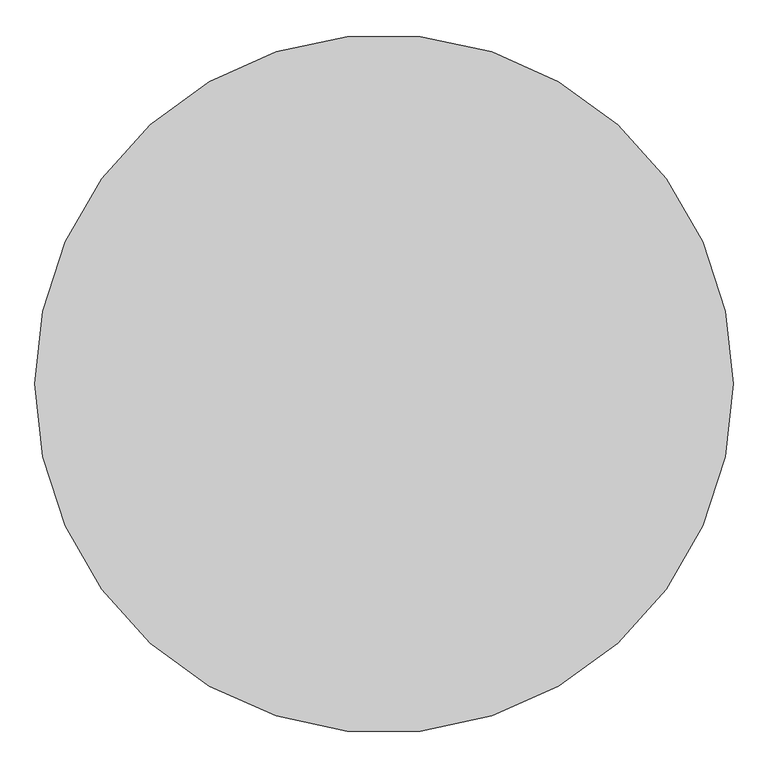
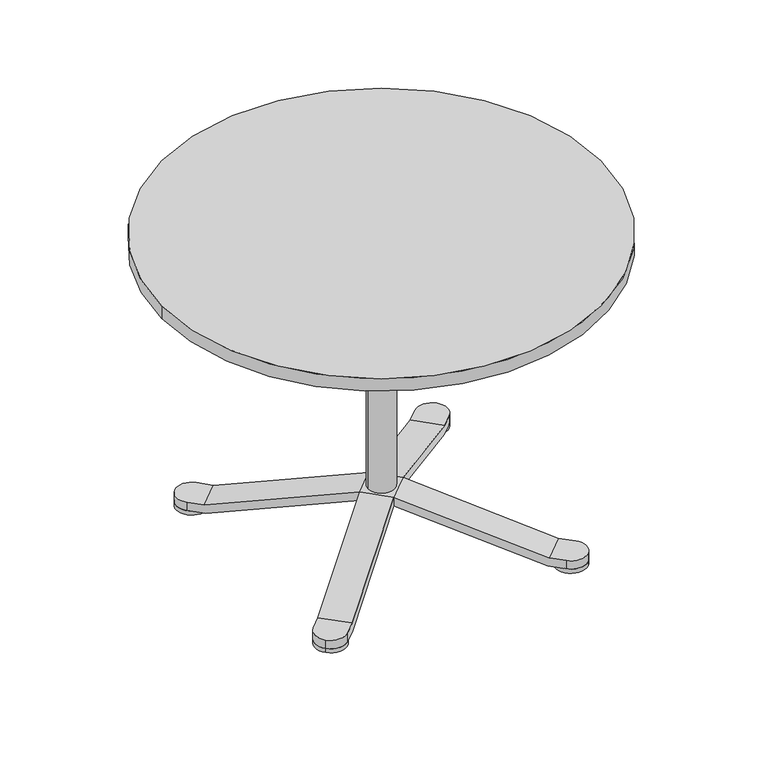
"""IFC4 building model written with IfcOpenShell, lengths in millimetres: furniture geometry."""

import ifcopenshell
import ifcopenshell.guid

model = None  # the IFC model being written
_history = None  # IfcOwnerHistory: only IFC2X3 demands one
_inside = {}  # id of a spatial element -> (the spatial element, [elements in it])
_under = {}  # id of a project, library or spatial element -> (it, [spatial elements below it])
_declared = {}  # id of a project -> (the project, [libraries it declares])
_typed = {}  # id of a type object -> (the type object, [elements of that type])
_made_of = {}  # id of a material, layer set ... -> (it, [elements and type objects made of it])


def new_model(schema):
    """Start an empty IFC model of exactly this schema.

    Asked for "IFC4X3", IfcOpenShell would pick the latest addendum, in which some entities
    have other attributes; the version numbers below select the first issue.
    IFC2X3 requires an IfcOwnerHistory on every rooted entity: one is made here for all.
    """
    global model, _history
    if schema == "IFC4X3":
        model = ifcopenshell.file(schema_version=(4, 3, 0, 0))
    else:
        model = ifcopenshell.file(schema=schema)
    _inside.clear()
    _under.clear()
    _declared.clear()
    _typed.clear()
    _made_of.clear()
    _history = None
    if model.schema == "IFC2X3":
        org = make("IfcOrganization", Name="unknown")
        user = make(
            "IfcPersonAndOrganization",
            ThePerson=make("IfcPerson", FamilyName="unknown"),
            TheOrganization=org,
        )
        app = make(
            "IfcApplication",
            ApplicationDeveloper=org,
            Version="unknown",
            ApplicationFullName="unknown",
            ApplicationIdentifier="unknown",
        )
        _history = make(
            "IfcOwnerHistory",
            OwningUser=user,
            OwningApplication=app,
            ChangeAction="ADDED",
            CreationDate=0,
        )
    return model


def make(cls, **values):
    """One entity of the class cls with the attributes given. An attribute that is None is left unset."""
    return model.create_entity(
        cls, **{name: value for name, value in values.items() if value is not None}
    )


def rooted(cls, **values):
    """An entity with a GlobalId (a new one), such as an element, a storey or a relation."""
    return make(cls, GlobalId=ifcopenshell.guid.new(), OwnerHistory=_history, **values)


def si_unit(unit_type, name, prefix=None):
    """IfcSIUnit, for example si_unit("LENGTHUNIT", "METRE", prefix="MILLI")."""
    return make("IfcSIUnit", UnitType=unit_type, Prefix=prefix, Name=name)


def assignment(units):
    """IfcUnitAssignment: the units of a project."""
    return None if units is None else make("IfcUnitAssignment", Units=units)


def point(xyz):
    """IfcCartesianPoint."""
    return None if xyz is None else make("IfcCartesianPoint", Coordinates=xyz)


def direction(xyz):
    """IfcDirection."""
    return None if xyz is None else make("IfcDirection", DirectionRatios=xyz)


def frame(location, z_axis=None, x_axis=None):
    """IfcAxis2Placement3D, a coordinate frame: its origin and axes. An axis left out is left unset."""
    return make(
        "IfcAxis2Placement3D",
        Location=point(location),
        Axis=direction(z_axis),
        RefDirection=direction(x_axis),
    )


def frame_2d(location, x_axis=None):
    """IfcAxis2Placement2D, a coordinate frame in the plane: its origin and x axis."""
    return make(
        "IfcAxis2Placement2D", Location=point(location), RefDirection=direction(x_axis)
    )


def origin():
    """The frame at (0, 0, 0) with its axes left unset."""
    return frame((0.0, 0.0, 0.0))


def origin_with_axes():
    """The frame at (0, 0, 0) with the z axis (0, 0, 1) and the x axis (1, 0, 0) written out."""
    return frame((0.0, 0.0, 0.0), z_axis=(0.0, 0.0, 1.0), x_axis=(1.0, 0.0, 0.0))


def origin_2d():
    """The frame at (0, 0) in the plane with its x axis left unset."""
    return frame_2d((0.0, 0.0))


def place(relative_to, where):
    """IfcLocalPlacement: puts the frame where relative to a parent placement (None: the world)."""
    return make(
        "IfcLocalPlacement", PlacementRelTo=relative_to, RelativePlacement=where
    )


def context(
    kind, dimensions, precision=None, world=None, true_north=None, identifier=None
):
    """IfcGeometricRepresentationContext, for example the 3D "Model" context."""
    return make(
        "IfcGeometricRepresentationContext",
        ContextIdentifier=identifier,
        ContextType=kind,
        CoordinateSpaceDimension=dimensions,
        Precision=precision,
        WorldCoordinateSystem=world,
        TrueNorth=true_north,
    )


def project(units=None, contexts=None):
    """IfcProject with its units and contexts."""
    return rooted(
        "IfcProject",
        Name="project",
        RepresentationContexts=contexts,
        UnitsInContext=assignment(units),
    )


def spatial(cls, under=None, at=None, **own):
    """A site, building, storey or space (cls), placed at a placement, below another one or the project."""
    s = rooted(cls, ObjectPlacement=at, **own)
    if under is not None:
        _under.setdefault(under.id(), (under, []))[1].append(s)
    return s


def circle_curve(where, radius):
    """IfcCircle in the frame where."""
    return make("IfcCircle", Position=where, Radius=radius)


def ellipse_curve(where, semi_axis1, semi_axis2):
    """IfcEllipse in the frame where."""
    return make(
        "IfcEllipse", Position=where, SemiAxis1=semi_axis1, SemiAxis2=semi_axis2
    )


def trimmed(basis, trim1, trim2, sense, master):
    """IfcTrimmedCurve: the piece of a basis curve between two trims."""
    return make(
        "IfcTrimmedCurve",
        BasisCurve=basis,
        Trim1=trim1,
        Trim2=trim2,
        SenseAgreement=sense,
        MasterRepresentation=master,
    )


def segment(curve, same_sense, transition):
    """IfcCompositeCurveSegment."""
    return make(
        "IfcCompositeCurveSegment",
        Transition=transition,
        SameSense=same_sense,
        ParentCurve=curve,
    )


def composite_curve(segments, self_intersect=None):
    """IfcCompositeCurve: segments joined end to end."""
    return make("IfcCompositeCurve", Segments=segments, SelfIntersect=self_intersect)


def outline(outer, holes=None, kind="AREA"):
    """IfcArbitraryClosedProfileDef: a profile drawn as a closed curve; with holes, ...WithVoids."""
    if holes is None:
        return make("IfcArbitraryClosedProfileDef", ProfileType=kind, OuterCurve=outer)
    return make(
        "IfcArbitraryProfileDefWithVoids",
        ProfileType=kind,
        OuterCurve=outer,
        InnerCurves=holes,
    )


def extrude(swept, where, along, depth):
    """IfcExtrudedAreaSolid: the profile swept, set in the frame where, extruded along a direction by depth."""
    return make(
        "IfcExtrudedAreaSolid",
        SweptArea=swept,
        Position=where,
        ExtrudedDirection=direction(along),
        Depth=depth,
    )


def shape(context_of_items, identifier, shape_type, items):
    """IfcShapeRepresentation: the items that make up one representation, for example the "Body"."""
    return make(
        "IfcShapeRepresentation",
        ContextOfItems=context_of_items,
        RepresentationIdentifier=identifier,
        RepresentationType=shape_type,
        Items=items,
    )


def source(mapping_origin, context_of_items, identifier, shape_type, items):
    """IfcRepresentationMap: a shape defined once, which mapped items show again and again."""
    return make(
        "IfcRepresentationMap",
        MappingOrigin=mapping_origin,
        MappedRepresentation=shape(context_of_items, identifier, shape_type, items),
    )


def transform(
    local_origin,
    x_axis=None,
    y_axis=None,
    z_axis=None,
    scale=None,
    scale2=None,
    scale3=None,
    uniform=True,
):
    """IfcCartesianTransformationOperator3D, or its non-uniform kind. x_axis, y_axis, z_axis: its Axis1, 2, 3."""
    if uniform:
        return make(
            "IfcCartesianTransformationOperator3D",
            Axis1=direction(x_axis),
            Axis2=direction(y_axis),
            LocalOrigin=point(local_origin),
            Scale=scale,
            Axis3=direction(z_axis),
        )
    return make(
        "IfcCartesianTransformationOperator3DnonUniform",
        Axis1=direction(x_axis),
        Axis2=direction(y_axis),
        LocalOrigin=point(local_origin),
        Scale=scale,
        Axis3=direction(z_axis),
        Scale2=scale2,
        Scale3=scale3,
    )


def mapped(mapping_source, mapping_target):
    """IfcMappedItem: shows the shape of a source again, moved by a transform."""
    return make(
        "IfcMappedItem", MappingSource=mapping_source, MappingTarget=mapping_target
    )


def made_of(thing, what):
    """Note that an element or type object is made of a material, layer set ...; save() writes the relation."""
    if what is not None:
        _made_of.setdefault(what.id(), (what, []))[1].append(thing)
    return thing


def element(
    cls,
    number,
    at=None,
    inside=None,
    cuts=None,
    type_object=None,
    material=None,
    context=None,
    identifier="Body",
    shape_type=None,
    held_by="IfcProductDefinitionShape",
    body=None,
    shapes=None,
    **own,
):
    """One element of the class cls, such as IfcWall. Its Tag is "e" and its number.

    at: its placement. inside: the storey or other place that contains it. cuts: it is an
    opening in that element (IfcRelVoidsElement). A single representation is given by context,
    identifier, shape_type and body (its items); several are given by shapes. held_by: the class
    of the entity that holds the representations. save() writes the other relations.
    """
    e = rooted(cls, Tag="e%d" % number, ObjectPlacement=at, **own)
    if body is not None:
        shapes = [shape(context, identifier, shape_type, body)]
    if shapes is not None:
        e.Representation = make(held_by, Representations=shapes)
    if inside is not None:
        _inside.setdefault(inside.id(), (inside, []))[1].append(e)
    if cuts is not None:
        rooted(
            "IfcRelVoidsElement", RelatingBuildingElement=cuts, RelatedOpeningElement=e
        )
    if type_object is not None:
        _typed.setdefault(type_object.id(), (type_object, []))[1].append(e)
    return made_of(e, material)


def aggregate(whole, parts):
    """IfcRelAggregates: a whole, such as a stair, and the parts it consists of."""
    return rooted("IfcRelAggregates", RelatingObject=whole, RelatedObjects=parts)


def save(model, path):
    """Write the relations noted so far, then the file.

    IfcRelAggregates (storeys below a building ...), IfcRelContainedInSpatialStructure (elements
    in a storey), IfcRelDefinesByType, IfcRelAssociatesMaterial and IfcRelDeclares: one each for
    every whole, place, type object, material and project.
    """
    for whole, parts in _under.values():
        aggregate(whole, parts)
    for where, things in _inside.values():
        rooted(
            "IfcRelContainedInSpatialStructure",
            RelatedElements=things,
            RelatingStructure=where,
        )
    for kind, things in _typed.values():
        rooted("IfcRelDefinesByType", RelatedObjects=things, RelatingType=kind)
    for what, things in _made_of.values():
        rooted("IfcRelAssociatesMaterial", RelatedObjects=things, RelatingMaterial=what)
    for by, libraries in _declared.values():
        rooted("IfcRelDeclares", RelatingContext=by, RelatedDefinitions=libraries)
    model.write(path)


def plane_surface(at):
    """IfcPlane: the flat surface through the origin of the frame at, square to its z axis."""
    return make("IfcPlane", Position=at)


def cylinder_surface(at, radius):
    """IfcCylindricalSurface: all points at the distance radius from the z axis of the frame at."""
    return make("IfcCylindricalSurface", Position=at, Radius=radius)


def advanced_brep(points, edges, surfaces, faces):
    """IfcAdvancedBrep: a solid bounded by faces that lie on surfaces and meet in shared edges.

    An edge is (start, end): straight between two places in points (the first is 0);
    or (start, end, curve); or (start, end, curve, False) where it runs against its curve.
    A face is (place in surfaces, loops), or (place, loops, False) where it looks against
    its surface's normal. A loop lists edges by number (the first is 1), with a minus sign
    where the edge is run from its end to its start. The first loop is the outer one.
    """
    corners = [point(p) for p in points]
    vertices = [make("IfcVertexPoint", VertexGeometry=c) for c in corners]
    made = []
    for start, end, *more in edges:
        made.append(
            make(
                "IfcEdgeCurve",
                EdgeStart=vertices[start],
                EdgeEnd=vertices[end],
                EdgeGeometry=more[0] if more else make("IfcPolyline", Points=[corners[start], corners[end]]),
                SameSense=more[1] if len(more) > 1 else True,
            )
        )
    hull = []
    for where, loops, *sense in faces:
        bounds = []
        for j, loop in enumerate(loops):
            ring = [make("IfcOrientedEdge", EdgeElement=made[abs(k) - 1], Orientation=k > 0) for k in loop]
            bounds.append(
                make(
                    "IfcFaceOuterBound" if j == 0 else "IfcFaceBound",
                    Bound=make("IfcEdgeLoop", EdgeList=ring),
                    Orientation=True,
                )
            )
        hull.append(make("IfcAdvancedFace", Bounds=bounds, FaceSurface=surfaces[where], SameSense=sense[0] if sense else True))
    return make("IfcAdvancedBrep", Outer=make("IfcClosedShell", CfsFaces=hull))


def furniture_578af6bd(model_context):
    return source(origin(), model_context, "Body", "SolidModel", [
        advanced_brep(
        [(226.0569027, -35.0, 694.0), (265.0, -35.0, 694.0), (300.0, 0.0, 694.0), (265.0, 35.0, 694.0), (226.0569027, 35.0, 694.0), (230.0, -35.0, 674.0), (230.0, 35.0, 674.0), (265.0, 35.0, 674.0), (300.0, 0.0, 674.0), (265.0, -35.0, 674.0), (31.0569027, 35.0, 614.0), (31.0569027, 16.1390456, 614.0), (35.0, 0.0, 615.6176809), (31.0569027, -16.1390456, 614.0), (31.0569027, -35.0, 614.0), (35.0, -35.0, 594.0), (35.0, 35.0, 594.0), (35.0, 0.0, 618.0), (-35.0, 0.0, 618.0), (-35.0, 0.0, 614.0), (-29.5052748, -18.8265439, 614.0), (-1.5516279, -34.9655895, 614.0), (-1.5516279, 34.9655895, 614.0), (-29.5052748, 18.8265439, 614.0), (20.2072594, -35.0, 614.0), (20.2072594, -35.0, 594.0), (20.2072594, 35.0, 594.0), (20.2072594, 35.0, 614.0), (14.7824378, -44.3960667, 614.0), (14.7824378, 44.3960667, 614.0), (-45.8393405, 9.3960667, 614.0), (-40.4145188, 0.0, 614.0), (-45.8393405, -9.3960667, 614.0), (12.8108891, -47.8108891, 594.0), (-47.8108891, -12.8108891, 594.0), (-40.4145188, 0.0, 594.0), (-47.8108891, 12.8108891, 594.0), (12.8108891, 47.8108891, 594.0), (-82.7175622, 213.2710205, 694.0), (-102.1891109, 246.996732, 694.0), (-150.0, 259.8076211, 694.0), (-162.8108891, 211.996732, 694.0), (-143.3393405, 178.2710205, 694.0), (-84.6891109, 216.6858429, 674.0), (-145.3108891, 181.6858429, 674.0), (-162.8108891, 211.996732, 674.0), (-150.0, 259.8076211, 674.0), (-102.1891109, 246.996732, 674.0), (-150.0, -259.8076211, 694.0), (-102.1891109, -246.996732, 694.0), (-82.7175622, -213.2710205, 694.0), (-143.3393405, -178.2710205, 694.0), (-162.8108891, -211.996732, 694.0), (-150.0, -259.8076211, 674.0), (-162.8108891, -211.996732, 674.0), (-145.3108891, -181.6858429, 674.0), (-84.6891109, -216.6858429, 674.0), (-102.1891109, -246.996732, 674.0)],
        [
            (0, 1),
            (1, 2, circle_curve(frame((265.0, 0.0, 694.0), z_axis=(0.0, 0.0, 1.0), x_axis=(-1.0, 0.0, 0.0)), 35.0)),
            (2, 3, circle_curve(frame((265.0, 0.0, 694.0), z_axis=(0.0, 0.0, 1.0), x_axis=(-1.0, 0.0, 0.0)), 35.0)),
            (3, 4),
            (4, 0),
            (5, 6),
            (6, 7),
            (7, 8, circle_curve(frame((265.0, 0.0, 674.0), z_axis=(0.0, 0.0, -1.0), x_axis=(-1.0, 0.0, 0.0)), 35.0)),
            (8, 9, circle_curve(frame((265.0, 0.0, 674.0), z_axis=(0.0, 0.0, -1.0), x_axis=(-1.0, 0.0, 0.0)), 35.0)),
            (9, 5),
            (1, 9),
            (8, 2),
            (7, 3),
            (4, 10),
            (10, 11),
            (11, 12, ellipse_curve(frame((0.0, 0.0, 601.2587066), z_axis=(0.37955635625630724, 0.0, -0.9251686183747454), x_axis=(0.9251686183747455, 0.0, 0.37955635625630696)), 37.8309416, 35.0)),
            (12, 13, ellipse_curve(frame((0.0, 0.0, 601.2587066), z_axis=(0.37955635625630724, 0.0, -0.9251686183747454), x_axis=(0.9251686183747455, 0.0, 0.37955635625630696)), 37.8309416, 35.0)),
            (13, 14),
            (14, 0),
            (5, 15),
            (15, 16),
            (16, 6),
            (17, 18, circle_curve(frame((0.0, 0.0, 618.0), z_axis=(0.0, 0.0, 1.0), x_axis=(-1.0, 0.0, 0.0)), 35.0)),
            (18, 17, circle_curve(frame((0.0, 0.0, 618.0), z_axis=(0.0, 0.0, 1.0), x_axis=(-1.0, 0.0, 0.0)), 35.0)),
            (18, 19),
            (19, 20, circle_curve(frame((0.0, 0.0, 614.0), z_axis=(0.0, 0.0, 1.0), x_axis=(-1.0, 0.0, 0.0)), 35.0)),
            (20, 21, ellipse_curve(frame((0.0, 0.0, 601.2587066), z_axis=(0.18977817812817024, 0.32870544668580903, 0.9251686183747454), x_axis=(-0.46258430918741966, -0.8012195262966529, 0.37955635625630724)), 37.8309416, 35.0)),
            (21, 13, circle_curve(frame((0.0, 0.0, 614.0), z_axis=(0.0, 0.0, 1.0), x_axis=(-1.0, 0.0, 0.0)), 35.0)),
            (12, 17),
            (11, 22, circle_curve(frame((0.0, 0.0, 614.0), z_axis=(0.0, 0.0, 1.0), x_axis=(-1.0, 0.0, 0.0)), 35.0)),
            (22, 23, ellipse_curve(frame((0.0, 0.0, 601.2587066), z_axis=(0.18977817812813838, -0.3287054466858273, 0.9251686183747454), x_axis=(-0.4625843091873421, 0.8012195262966977, 0.3795563562563073)), 37.8309416, 35.0)),
            (23, 19, circle_curve(frame((0.0, 0.0, 614.0), z_axis=(0.0, 0.0, 1.0), x_axis=(-1.0, 0.0, 0.0)), 35.0)),
            (14, 24),
            (24, 25),
            (25, 15),
            (16, 26),
            (26, 27),
            (27, 10),
            (21, 28),
            (28, 24),
            (27, 29),
            (29, 22),
            (30, 31),
            (31, 32),
            (32, 20),
            (23, 30),
            (25, 33),
            (33, 34),
            (34, 35),
            (35, 36),
            (36, 37),
            (37, 26),
            (38, 39),
            (39, 40, circle_curve(frame((-132.5, 229.496732, 694.0), z_axis=(0.0, 0.0, 1.0), x_axis=(0.5000000000000033, -0.8660254037844368, 0.0)), 35.0)),
            (40, 41, circle_curve(frame((-132.5, 229.496732, 694.0), z_axis=(0.0, 0.0, 1.0), x_axis=(0.5000000000000033, -0.8660254037844368, 0.0)), 35.0)),
            (41, 42),
            (42, 38),
            (43, 44),
            (44, 45),
            (45, 46, circle_curve(frame((-132.5, 229.496732, 674.0), z_axis=(0.0, 0.0, -1.0), x_axis=(0.5000000000000033, -0.8660254037844368, 0.0)), 35.0)),
            (46, 47, circle_curve(frame((-132.5, 229.496732, 674.0), z_axis=(0.0, 0.0, -1.0), x_axis=(0.5000000000000033, -0.8660254037844368, 0.0)), 35.0)),
            (47, 43),
            (39, 47),
            (46, 40),
            (45, 41),
            (42, 30),
            (29, 38),
            (43, 37),
            (36, 44),
            (35, 31),
            (48, 49, circle_curve(frame((-132.5, -229.496732, 694.0), z_axis=(0.0, 0.0, 1.0), x_axis=(0.4999999999999982, 0.8660254037844397, 0.0)), 35.0)),
            (49, 50),
            (50, 51),
            (51, 52),
            (52, 48, circle_curve(frame((-132.5, -229.496732, 694.0), z_axis=(0.0, 0.0, 1.0), x_axis=(0.4999999999999982, 0.8660254037844397, 0.0)), 35.0)),
            (53, 54, circle_curve(frame((-132.5, -229.496732, 674.0), z_axis=(0.0, 0.0, -1.0), x_axis=(0.4999999999999982, 0.8660254037844397, 0.0)), 35.0)),
            (54, 55),
            (55, 56),
            (56, 57),
            (57, 53, circle_curve(frame((-132.5, -229.496732, 674.0), z_axis=(0.0, 0.0, -1.0), x_axis=(0.4999999999999982, 0.8660254037844397, 0.0)), 35.0)),
            (52, 54),
            (53, 48),
            (57, 49),
            (50, 28),
            (32, 51),
            (55, 34),
            (33, 56),
        ],
        [
            plane_surface(frame((230.0, 0.0, 694.0), z_axis=(0.0, 0.0, 1.0), x_axis=(0.0, 1.0, 0.0))),
            plane_surface(frame((230.0, 0.0, 674.0), z_axis=(0.0, 0.0, -1.0), x_axis=(0.0, -1.0, 0.0))),
            cylinder_surface(frame((265.0, 0.0, 674.0), z_axis=(0.0, 0.0, 1.0), x_axis=(-1.0, 0.0, 0.0)), 35.0),
            plane_surface(frame((226.0569027, -35.0, 694.0), z_axis=(-0.37955635625630724, 0.0, 0.9251686183747454), x_axis=(-0.9251686183747454, 0.0, -0.37955635625630724))),
            plane_surface(frame((230.0, 35.0, 674.0), z_axis=(0.37955635625630724, 0.0, -0.9251686183747454), x_axis=(-0.9251686183747454, 0.0, -0.37955635625630724))),
            plane_surface(frame((-35.0, 0.0, 618.0), z_axis=(0.0, 0.0, 1.0), x_axis=(0.0, 1.0, 0.0))),
            cylinder_surface(frame((0.0, 0.0, 594.0), z_axis=(0.0, 0.0, 1.0), x_axis=(-1.0, 0.0, 0.0)), 35.0),
            plane_surface(frame((265.0, -35.0, 674.0), z_axis=(0.0, -1.0, 0.0), x_axis=(-1.0, 0.0, 0.0))),
            plane_surface(frame((265.0, 35.0, 694.0), z_axis=(0.0, 1.0, 0.0), x_axis=(-1.0, 0.0, 0.0))),
            plane_surface(frame((31.0569027, -35.0, 614.0), z_axis=(0.0, 0.0, 1.0), x_axis=(-1.0, 0.0, 0.0))),
            plane_surface(frame((35.0, 35.0, 594.0), z_axis=(0.0, 0.0, -1.0), x_axis=(-1.0, 0.0, 0.0))),
            plane_surface(frame((-115.0, 199.1858429, 694.0), z_axis=(0.0, 0.0, 1.0000000000000002), x_axis=(-0.8660254037844368, -0.5000000000000033, 0.0))),
            plane_surface(frame((-115.0, 199.1858429, 674.0), z_axis=(0.0, 0.0, -1.0000000000000002), x_axis=(0.8660254037844368, 0.5000000000000033, 0.0))),
            cylinder_surface(frame((-132.5, 229.496732, 674.0), z_axis=(0.0, 0.0, 1.0000000000000002), x_axis=(0.5000000000000033, -0.8660254037844368, 0.0)), 35.0),
            plane_surface(frame((-82.7175622, 213.2710205, 694.0), z_axis=(0.18977817812813838, -0.3287054466858273, 0.9251686183747454), x_axis=(0.46258430918737786, -0.8012195262966771, -0.379556356256307))),
            plane_surface(frame((-145.3108891, 181.6858429, 674.0), z_axis=(-0.18977817812813805, 0.32870544668582763, -0.9251686183747454), x_axis=(0.46258430918737803, -0.801219526296677, -0.3795563562563071))),
            plane_surface(frame((-102.1891109, 246.996732, 674.0), z_axis=(0.8660254037844353, 0.500000000000006, 0.0), x_axis=(0.500000000000006, -0.8660254037844353, 0.0))),
            plane_surface(frame((-162.8108891, 211.996732, 694.0), z_axis=(-0.8660254037844354, -0.5000000000000057, 0.0), x_axis=(0.5000000000000057, -0.8660254037844354, 0.0))),
            plane_surface(frame((-115.0, -199.1858429, 694.0), z_axis=(0.0, 0.0, 1.0), x_axis=(0.8660254037844397, -0.4999999999999982, 0.0))),
            plane_surface(frame((-115.0, -199.1858429, 674.0), z_axis=(0.0, 0.0, -1.0), x_axis=(-0.8660254037844397, 0.4999999999999982, 0.0))),
            cylinder_surface(frame((-132.5, -229.496732, 674.0), z_axis=(0.0, 0.0, 1.0), x_axis=(0.4999999999999982, 0.8660254037844397, 0.0)), 35.0),
            plane_surface(frame((-143.3393405, -178.2710205, 694.0), z_axis=(0.18977817812817024, 0.32870544668580903, 0.9251686183747454), x_axis=(0.462584309187371, 0.801219526296681, -0.3795563562563072))),
            plane_surface(frame((-84.6891109, -216.6858429, 674.0), z_axis=(-0.1897781781281706, -0.32870544668580876, -0.9251686183747455), x_axis=(0.46258430918737103, 0.8012195262966811, -0.3795563562563071))),
            plane_surface(frame((-162.8108891, -211.996732, 674.0), z_axis=(-0.8660254037844399, 0.4999999999999979, 0.0), x_axis=(0.4999999999999979, 0.8660254037844399, 0.0))),
            plane_surface(frame((-102.1891109, -246.996732, 694.0), z_axis=(0.8660254037844398, -0.49999999999999806, 0.0), x_axis=(0.49999999999999806, 0.8660254037844398, 0.0))),
        ],
        [
            (0, [[1, 2, 3, 4, 5]]),
            (1, [[6, 7, 8, 9, 10]]),
            (2, [[-2, 11, -9, 12]]),
            (2, [[-8, 13, -3, -12]]),
            (3, [[14, 15, 16, 17, 18, 19, -5]]),
            (4, [[-6, 20, 21, 22]]),
            (5, [[23, 24]]),
            (6, [[25, 26, 27, 28, -17, 29, -24]]),
            (6, [[-29, -16, 30, 31, 32, -25, -23]]),
            (7, [[33, 34, 35, -20, -10, -11, -1, -19]]),
            (8, [[-4, -13, -7, -22, 36, 37, 38, -14]]),
            (9, [[-28, 39, 40, -33, -18]]),
            (9, [[-38, 41, 42, -30, -15]]),
            (9, [[43, 44, 45, -26, -32, 46]]),
            (10, [[-35, 47, 48, 49, 50, 51, 52, -36, -21]]),
            (11, [[53, 54, 55, 56, 57]]),
            (12, [[58, 59, 60, 61, 62]]),
            (13, [[-54, 63, -61, 64]]),
            (13, [[-60, 65, -55, -64]]),
            (14, [[66, -46, -31, -42, 67, -57]]),
            (15, [[-58, 68, -51, 69]]),
            (16, [[-41, -37, -52, -68, -62, -63, -53, -67]]),
            (17, [[-56, -65, -59, -69, -50, 70, -43, -66]]),
            (18, [[71, 72, 73, 74, 75]]),
            (19, [[76, 77, 78, 79, 80]]),
            (20, [[-75, 81, -76, 82]]),
            (20, [[-80, 83, -71, -82]]),
            (21, [[84, -39, -27, -45, 85, -73]]),
            (22, [[86, -48, 87, -78]]),
            (23, [[-44, -70, -49, -86, -77, -81, -74, -85]]),
            (24, [[-72, -83, -79, -87, -47, -34, -40, -84]]),
        ],
    ),
        extrude(outline(composite_curve([segment(trimmed(circle_curve(frame_2d((273.6503243, -273.6503243)), 35.0), [point((248.901587, -248.901587))], [point((298.3990617, -298.3990617))], False, "CARTESIAN"), True, "CONTINUOUS"), segment(trimmed(circle_curve(frame_2d((273.6503243, -273.6503243)), 35.0), [point((298.3990617, -298.3990617))], [point((248.901587, -248.901587))], False, "CARTESIAN"), True, "CONTINUOUS")], self_intersect=False)), origin_with_axes(), (0.0, 0.0, 1.0), 10.0),
        extrude(outline(composite_curve([segment(trimmed(circle_curve(frame_2d((273.6503243, 273.6503243)), 35.0), [point((248.901587, 248.901587))], [point((298.3990617, 298.3990617))], False, "CARTESIAN"), True, "CONTINUOUS"), segment(trimmed(circle_curve(frame_2d((273.6503243, 273.6503243)), 35.0), [point((298.3990617, 298.3990617))], [point((248.901587, 248.901587))], False, "CARTESIAN"), True, "CONTINUOUS")], self_intersect=False)), origin_with_axes(), (0.0, 0.0, 1.0), 10.0),
        extrude(outline(composite_curve([segment(trimmed(circle_curve(frame_2d((-273.6503243, 273.6503243)), 35.0), [point((-248.901587, 248.901587))], [point((-298.3990617, 298.3990617))], False, "CARTESIAN"), True, "CONTINUOUS"), segment(trimmed(circle_curve(frame_2d((-273.6503243, 273.6503243)), 35.0), [point((-298.3990617, 298.3990617))], [point((-248.901587, 248.901587))], False, "CARTESIAN"), True, "CONTINUOUS")], self_intersect=False)), origin_with_axes(), (0.0, 0.0, 1.0), 10.0),
        advanced_brep(
        [(-271.7079031, -222.2104284, 10.0), (-49.4974747, 0.0, 97.985091), (-45.6126322, 0.0, 98.7542004), (0.0, -45.6126322, 98.7542004), (0.0, -49.4974747, 97.985091), (-222.2104284, -271.7079031, 10.0), (-273.6503243, -224.1528496, 30.0), (-224.1528496, -273.6503243, 30.0), (0.0, -49.4974747, 118.7542004), (-49.4974747, 0.0, 118.7542004), (-298.3990617, -248.901587, 10.0), (-298.3990617, -248.901587, 30.0), (-248.901587, -298.3990617, 10.0), (-298.3990617, -298.3990617, 10.0), (-248.901587, -298.3990617, 30.0), (-298.3990617, -298.3990617, 30.0), (-22.8063161, 22.8063161, 98.7542004), (0.0, 45.6126322, 98.7542004), (45.6126322, 0.0, 98.7542004), (22.8063161, -22.8063161, 98.7542004), (24.7487373, -24.7487373, 118.7542004), (49.4974747, 0.0, 118.7542004), (0.0, 49.4974747, 118.7542004), (-24.7487373, 24.7487373, 118.7542004), (-222.2104284, 271.7079031, 10.0), (0.0, 49.4974747, 97.985091), (-271.7079031, 222.2104284, 10.0), (-224.1528496, 273.6503243, 30.0), (-273.6503243, 224.1528496, 30.0), (-248.901587, 298.3990617, 10.0), (-248.901587, 298.3990617, 30.0), (273.6503243, -224.1528496, 30.0), (298.3990617, -248.901587, 30.0), (298.3990617, -248.901587, 10.0), (271.7079031, -222.2104284, 10.0), (49.4974747, 0.0, 97.985091), (-298.3990617, 248.901587, 10.0), (-298.3990617, 298.3990617, 10.0), (-298.3990617, 248.901587, 30.0), (-298.3990617, 298.3990617, 30.0), (222.2104284, -271.7079031, 10.0), (224.1528496, -273.6503243, 30.0), (248.901587, -298.3990617, 10.0), (248.901587, -298.3990617, 30.0), (298.3990617, -298.3990617, 10.0), (298.3990617, -298.3990617, 30.0), (271.7079031, 222.2104284, 10.0), (222.2104284, 271.7079031, 10.0), (224.1528496, 273.6503243, 30.0), (273.6503243, 224.1528496, 30.0), (298.3990617, 248.901587, 10.0), (298.3990617, 248.901587, 30.0), (248.901587, 298.3990617, 10.0), (298.3990617, 298.3990617, 10.0), (248.901587, 298.3990617, 30.0), (298.3990617, 298.3990617, 30.0)],
        [
            (0, 1),
            (1, 2),
            (2, 3),
            (3, 4),
            (4, 5),
            (5, 0),
            (6, 7),
            (7, 8),
            (8, 9),
            (9, 6),
            (9, 1),
            (0, 10),
            (10, 11),
            (11, 6),
            (5, 12),
            (12, 13, circle_curve(frame((-273.6503243, -273.6503243, 10.0), z_axis=(0.0, 0.0, -1.0), x_axis=(-0.965925826289068, 0.25881904510252185, 0.0)), 35.0)),
            (13, 10, circle_curve(frame((-273.6503243, -273.6503243, 10.0), z_axis=(0.0, 0.0, -1.0), x_axis=(-0.965925826289068, 0.25881904510252185, 0.0)), 35.0)),
            (7, 14),
            (14, 12),
            (4, 8),
            (11, 15, circle_curve(frame((-273.6503243, -273.6503243, 30.0), z_axis=(0.0, 0.0, 1.0), x_axis=(-0.965925826289068, 0.25881904510252185, 0.0)), 35.0)),
            (15, 14, circle_curve(frame((-273.6503243, -273.6503243, 30.0), z_axis=(0.0, 0.0, 1.0), x_axis=(-0.965925826289068, 0.25881904510252185, 0.0)), 35.0)),
            (2, 16),
            (16, 17),
            (17, 18),
            (18, 19),
            (19, 3),
            (8, 20),
            (20, 21),
            (21, 22),
            (22, 23),
            (23, 9),
            (15, 13),
            (24, 25),
            (25, 17),
            (1, 26),
            (26, 24),
            (27, 28),
            (28, 9),
            (22, 27),
            (22, 25),
            (24, 29),
            (29, 30),
            (30, 27),
            (31, 32),
            (32, 33),
            (33, 34),
            (34, 35),
            (35, 21),
            (21, 31),
            (26, 36),
            (36, 37, circle_curve(frame((-273.6503243, 273.6503243, 10.0), z_axis=(0.0, 0.0, -1.0), x_axis=(0.25881904510252585, 0.965925826289067, 0.0)), 35.0)),
            (37, 29, circle_curve(frame((-273.6503243, 273.6503243, 10.0), z_axis=(0.0, 0.0, -1.0), x_axis=(0.25881904510252585, 0.965925826289067, 0.0)), 35.0)),
            (28, 38),
            (38, 36),
            (30, 39, circle_curve(frame((-273.6503243, 273.6503243, 30.0), z_axis=(0.0, 0.0, 1.0), x_axis=(0.25881904510252585, 0.965925826289067, 0.0)), 35.0)),
            (39, 38, circle_curve(frame((-273.6503243, 273.6503243, 30.0), z_axis=(0.0, 0.0, 1.0), x_axis=(0.25881904510252585, 0.965925826289067, 0.0)), 35.0)),
            (39, 37),
            (40, 4),
            (18, 35),
            (34, 40),
            (41, 31),
            (8, 41),
            (40, 42),
            (42, 43),
            (43, 41),
            (33, 44, circle_curve(frame((273.6503243, -273.6503243, 10.0), z_axis=(0.0, 0.0, -1.0), x_axis=(-0.25881904510252596, -0.965925826289067, 0.0)), 35.0)),
            (44, 42, circle_curve(frame((273.6503243, -273.6503243, 10.0), z_axis=(0.0, 0.0, -1.0), x_axis=(-0.25881904510252596, -0.965925826289067, 0.0)), 35.0)),
            (43, 45, circle_curve(frame((273.6503243, -273.6503243, 30.0), z_axis=(0.0, 0.0, 1.0), x_axis=(-0.25881904510252596, -0.965925826289067, 0.0)), 35.0)),
            (45, 32, circle_curve(frame((273.6503243, -273.6503243, 30.0), z_axis=(0.0, 0.0, 1.0), x_axis=(-0.25881904510252596, -0.965925826289067, 0.0)), 35.0)),
            (45, 44),
            (46, 35),
            (25, 47),
            (47, 46),
            (48, 22),
            (21, 49),
            (49, 48),
            (46, 50),
            (50, 51),
            (51, 49),
            (47, 52),
            (52, 53, circle_curve(frame((273.6503243, 273.6503243, 10.0), z_axis=(0.0, 0.0, -1.0), x_axis=(0.9659258262890669, -0.2588190451025263, 0.0)), 35.0)),
            (53, 50, circle_curve(frame((273.6503243, 273.6503243, 10.0), z_axis=(0.0, 0.0, -1.0), x_axis=(0.9659258262890669, -0.2588190451025263, 0.0)), 35.0)),
            (48, 54),
            (54, 52),
            (51, 55, circle_curve(frame((273.6503243, 273.6503243, 30.0), z_axis=(0.0, 0.0, 1.0), x_axis=(0.9659258262890669, -0.2588190451025263, 0.0)), 35.0)),
            (55, 54, circle_curve(frame((273.6503243, 273.6503243, 30.0), z_axis=(0.0, 0.0, 1.0), x_axis=(0.9659258262890669, -0.2588190451025263, 0.0)), 35.0)),
            (55, 53),
        ],
        [
            plane_surface(frame((-222.2104284, -271.7079031, 10.0), z_axis=(0.19064559666053488, 0.19064559666050704, -0.9629685939572008), x_axis=(0.680921622856811, 0.6809216228568122, 0.26961358840401956))),
            plane_surface(frame((-273.6503243, -224.1528496, 30.0), z_axis=(-0.1906455966605352, -0.1906455966605067, 0.9629685939572008), x_axis=(0.680921622856811, 0.6809216228568122, 0.26961358840401956))),
            plane_surface(frame((-298.3990617, -248.901587, 10.0), z_axis=(-0.7071067811865485, 0.7071067811865467, 0.0), x_axis=(0.7071067811865467, 0.7071067811865485, 0.0))),
            plane_surface(frame((-248.901587, -298.3990617, 10.0), z_axis=(0.0, 0.0, -1.0000000000000002), x_axis=(0.7071067811865467, 0.7071067811865485, 0.0))),
            plane_surface(frame((-248.901587, -298.3990617, 30.0), z_axis=(0.707106781186548, -0.707106781186547, 0.0), x_axis=(0.707106781186547, 0.707106781186548, 0.0))),
            plane_surface(frame((-298.3990617, -248.901587, 30.0), z_axis=(0.0, 0.0, 1.0), x_axis=(0.7071067811865461, 0.707106781186549, 0.0))),
            plane_surface(frame((1.9424213, -47.5550534, 98.7542004), z_axis=(0.0, 0.0, -1.0000000000000002), x_axis=(0.7071067811865467, 0.7071067811865485, 0.0))),
            plane_surface(frame((-49.4974747, 0.0, 118.7542004), z_axis=(0.0, 0.0, 1.0000000000000002), x_axis=(0.707106781186547, 0.7071067811865481, 0.0))),
            cylinder_surface(frame((-273.6503243, -273.6503243, 10.0), z_axis=(0.0, 0.0, 1.0), x_axis=(-0.965925826289068, 0.25881904510252185, 0.0)), 35.0),
            plane_surface(frame((-271.7079031, 222.2104284, 10.0), z_axis=(0.1906455966605062, -0.19064559666053588, -0.9629685939572008), x_axis=(0.6809216228568095, -0.6809216228568138, 0.26961358840401967))),
            plane_surface(frame((-224.1528496, 273.6503243, 30.0), z_axis=(-0.19064559666050593, 0.19064559666053613, 0.9629685939572006), x_axis=(0.6809216228568095, -0.6809216228568137, 0.26961358840401967))),
            plane_surface(frame((-248.901587, 298.3990617, 10.0), z_axis=(0.7071067811865493, 0.7071067811865458, 0.0), x_axis=(0.7071067811865458, -0.7071067811865493, 0.0))),
            plane_surface(frame((-298.3990617, 248.901587, 10.0), z_axis=(0.0, 0.0, -1.0), x_axis=(0.7071067811865458, -0.7071067811865493, 0.0))),
            plane_surface(frame((-298.3990617, 248.901587, 30.0), z_axis=(-0.7071067811865499, -0.7071067811865451, 0.0), x_axis=(0.7071067811865451, -0.7071067811865499, 0.0))),
            plane_surface(frame((-248.901587, 298.3990617, 30.0), z_axis=(0.0, 0.0, 1.0), x_axis=(0.7071067811865451, -0.7071067811865499, 0.0))),
            cylinder_surface(frame((-273.6503243, 273.6503243, 10.0), z_axis=(0.0, 0.0, 1.0), x_axis=(0.25881904510252585, 0.965925826289067, 0.0)), 35.0),
            plane_surface(frame((271.7079031, -222.2104284, 10.0), z_axis=(-0.19064559666050612, 0.19064559666053568, -0.9629685939572008), x_axis=(-0.6809216228568093, 0.680921622856814, 0.2696135884040195))),
            plane_surface(frame((224.1528496, -273.6503243, 30.0), z_axis=(0.19064559666050596, -0.19064559666053615, 0.9629685939572008), x_axis=(-0.6809216228568093, 0.680921622856814, 0.26961358840401967))),
            plane_surface(frame((248.901587, -298.3990617, 10.0), z_axis=(-0.7071067811865507, -0.7071067811865444, 0.0), x_axis=(-0.7071067811865444, 0.7071067811865507, 0.0))),
            plane_surface(frame((298.3990617, -248.901587, 10.0), z_axis=(0.0, 0.0, -1.0), x_axis=(-0.7071067811865448, 0.7071067811865502, 0.0))),
            plane_surface(frame((248.901587, -298.3990617, 30.0), z_axis=(0.0, 0.0, 1.0), x_axis=(-0.7071067811865451, 0.7071067811865499, 0.0))),
            cylinder_surface(frame((273.6503243, -273.6503243, 10.0), z_axis=(0.0, 0.0, 1.0), x_axis=(-0.25881904510252596, -0.965925826289067, 0.0)), 35.0),
            plane_surface(frame((222.2104284, 271.7079031, 10.0), z_axis=(-0.19064559666053577, -0.1906455966605062, -0.9629685939572006), x_axis=(-0.6809216228568142, -0.6809216228568089, 0.2696135884040196))),
            plane_surface(frame((273.6503243, 224.1528496, 30.0), z_axis=(0.19064559666053615, 0.19064559666050593, 0.9629685939572008), x_axis=(-0.6809216228568142, -0.680921622856809, 0.26961358840401967))),
            plane_surface(frame((298.3990617, 248.901587, 10.0), z_axis=(0.7071067811865454, -0.7071067811865498, 0.0), x_axis=(-0.7071067811865498, -0.7071067811865454, 0.0))),
            plane_surface(frame((248.901587, 298.3990617, 10.0), z_axis=(0.0, 0.0, -1.0), x_axis=(-0.7071067811865502, -0.7071067811865448, 0.0))),
            plane_surface(frame((248.901587, 298.3990617, 30.0), z_axis=(-0.7071067811865446, 0.7071067811865505, 0.0), x_axis=(-0.7071067811865505, -0.7071067811865446, 0.0))),
            plane_surface(frame((298.3990617, 248.901587, 30.0), z_axis=(0.0, 0.0, 1.0000000000000002), x_axis=(-0.70710678118655, -0.7071067811865451, 0.0))),
            cylinder_surface(frame((273.6503243, 273.6503243, 10.0), z_axis=(0.0, 0.0, 1.0000000000000002), x_axis=(0.9659258262890669, -0.2588190451025263, 0.0)), 35.0),
        ],
        [
            (0, [[1, 2, 3, 4, 5, 6]]),
            (1, [[7, 8, 9, 10]]),
            (2, [[11, -1, 12, 13, 14, -10]]),
            (3, [[15, 16, 17, -12, -6]]),
            (4, [[18, 19, -15, -5, 20, -8]]),
            (5, [[21, 22, -18, -7, -14]]),
            (6, [[23, 24, 25, 26, 27, -3]]),
            (7, [[28, 29, 30, 31, 32, -9]]),
            (8, [[-16, -19, -22, 33]]),
            (8, [[-21, -13, -17, -33]]),
            (9, [[34, 35, -24, -23, -2, 36, 37]]),
            (10, [[38, 39, -32, -31, 40]]),
            (11, [[41, -34, 42, 43, 44, -40]]),
            (11, [[45, 46, 47, 48, 49, 50]]),
            (12, [[51, 52, 53, -42, -37]]),
            (13, [[54, 55, -51, -36, -11, -39]]),
            (14, [[56, 57, -54, -38, -44]]),
            (15, [[-52, -55, -57, 58]]),
            (15, [[-56, -43, -53, -58]]),
            (16, [[59, -4, -27, -26, 60, -48, 61]]),
            (17, [[62, -50, -29, -28, 63]]),
            (18, [[-20, -59, 64, 65, 66, -63]]),
            (19, [[-47, 67, 68, -64, -61]]),
            (20, [[69, 70, -45, -62, -66]]),
            (21, [[-67, -46, -70, 71]]),
            (21, [[-69, -65, -68, -71]]),
            (22, [[72, -60, -25, -35, 73, 74]]),
            (23, [[75, -30, 76, 77]]),
            (24, [[-49, -72, 78, 79, 80, -76]]),
            (25, [[81, 82, 83, -78, -74]]),
            (26, [[84, 85, -81, -73, -41, -75]]),
            (27, [[86, 87, -84, -77, -80]]),
            (28, [[-82, -85, -87, 88]]),
            (28, [[-86, -79, -83, -88]]),
        ],
    ),
        extrude(outline(composite_curve([segment(trimmed(circle_curve(origin_2d(), 30.0), [point((30.0, 0.0))], [point((-30.0, 0.0))], False, "CARTESIAN"), True, "CONTINUOUS"), segment(trimmed(circle_curve(origin_2d(), 30.0), [point((-30.0, 0.0))], [point((30.0, 0.0))], False, "CARTESIAN"), True, "CONTINUOUS")], self_intersect=False)), frame((0.0, 0.0, 118.7542004), z_axis=(0.0, 0.0, 1.0), x_axis=(1.0, 0.0, 0.0)), (0.0, 0.0, 1.0), 475.2457996),
        extrude(outline(composite_curve([segment(trimmed(circle_curve(frame_2d((-273.6503243, -273.6503243)), 35.0), [point((-248.901587, -248.901587))], [point((-298.3990617, -298.3990617))], False, "CARTESIAN"), True, "CONTINUOUS"), segment(trimmed(circle_curve(frame_2d((-273.6503243, -273.6503243)), 35.0), [point((-298.3990617, -298.3990617))], [point((-248.901587, -248.901587))], False, "CARTESIAN"), True, "CONTINUOUS")], self_intersect=False)), origin_with_axes(), (0.0, 0.0, 1.0), 10.0),
        extrude(outline(composite_curve([segment(trimmed(circle_curve(origin_2d(), 500.0), [point((500.0, 0.0))], [point((-500.0, 0.0))], False, "CARTESIAN"), True, "CONTINUOUS"), segment(trimmed(circle_curve(origin_2d(), 500.0), [point((-500.0, 0.0))], [point((500.0, 0.0))], False, "CARTESIAN"), True, "CONTINUOUS")], self_intersect=False)), frame((0.0, 0.0, 694.0), z_axis=(0.0, 0.0, 1.0), x_axis=(1.0, 0.0, 0.0)), (0.0, 0.0, 1.0), 30.0),
    ])


if __name__ == "__main__":
    model = new_model("IFC4")
    model_context = context("Model", 3, world=origin())
    ifc_project = project(units=[si_unit("LENGTHUNIT", "METRE", prefix="MILLI")], contexts=[model_context])
    site = spatial("IfcSite", under=ifc_project)
    building = spatial("IfcBuilding", under=site)
    placement = place(None, origin())
    furniture_shape = furniture_578af6bd(model_context)
    element("IfcFurniture", 1, at=placement, inside=building, context=model_context, shape_type="MappedRepresentation", body=[
        mapped(furniture_shape, transform((0.0, 0.0, 0.0), x_axis=(1.0, 0.0, 0.0), y_axis=(0.0, 1.0, 0.0), z_axis=(0.0, 0.0, 1.0))),
    ])
    save(model, "model.ifc")
